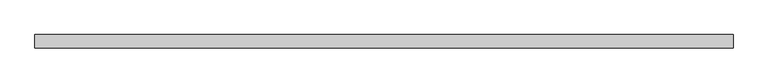
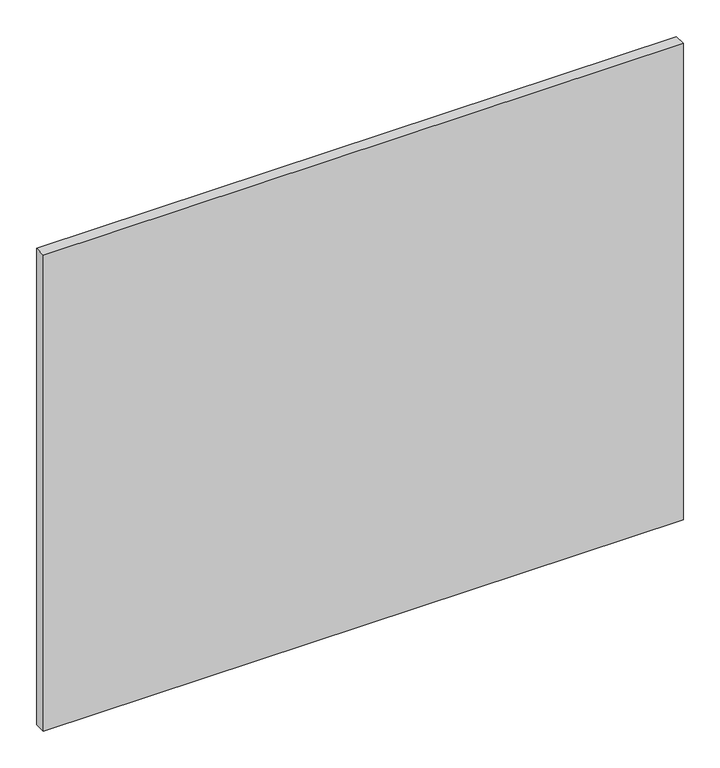
"""IFC4 building model written with IfcOpenShell, lengths in millimetres: proxy geometry."""

from ifc_helpers import new_model, si_unit, frame, origin, place, context, project, spatial, polyline, outline, extrude, source, transform, mapped, element, save


def specialty_equipment_fd1472ce(model_context):
    return source(origin(), model_context, "Body", "SweptSolid", [
        extrude(outline(polyline([(506.1204, 0.0), (-506.1204, 0.0), (-506.1204, 19.05), (506.1204, 19.05), (506.1204, 0.0)])), frame((0.0, 0.0, 3.175), z_axis=(0.0, 0.0, 1.0), x_axis=(1.0, 0.0, 0.0)), (0.0, 0.0, 1.0), 796.0868001),
    ])


if __name__ == "__main__":
    model = new_model("IFC4")
    model_context = context("Model", 3, world=origin())
    ifc_project = project(units=[si_unit("LENGTHUNIT", "METRE", prefix="MILLI")], contexts=[model_context])
    site = spatial("IfcSite", under=ifc_project)
    building = spatial("IfcBuilding", under=site)
    placement = place(None, origin())
    specialty_equipment_shape = specialty_equipment_fd1472ce(model_context)
    element("IfcBuildingElementProxy", 1, Name="Specialty Equipment", at=placement, inside=building, context=model_context, shape_type="MappedRepresentation", body=[
        mapped(specialty_equipment_shape, transform((0.0, 0.0, 0.0), x_axis=(1.0, 0.0, 0.0), y_axis=(0.0, 1.0, 0.0), z_axis=(0.0, 0.0, 1.0))),
    ])
    save(model, "model.ifc")
